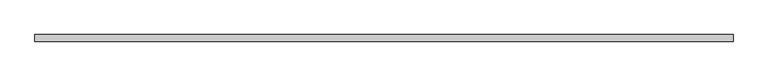
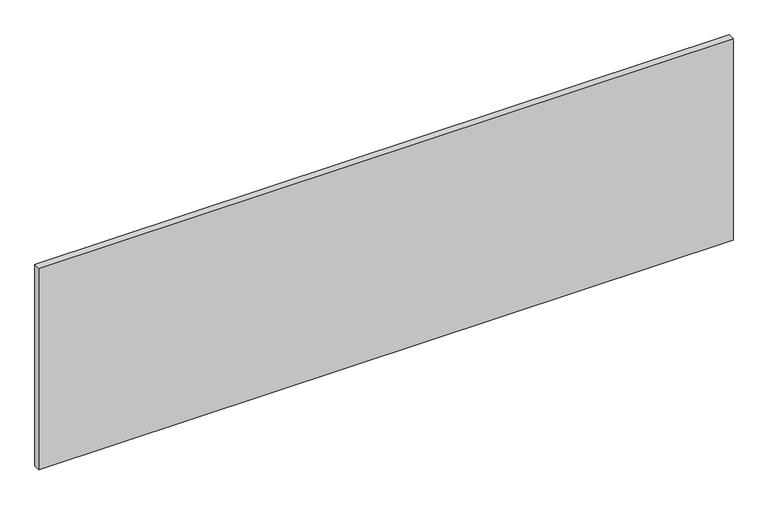
"""IFC4 building model written with IfcOpenShell, lengths in millimetres: furniture geometry."""

from ifc_helpers import new_model, si_unit, frame, origin, place, context, project, spatial, polyline, outline, extrude, source, transform, mapped, element, save


def furniture_79d35260(model_context):
    return source(origin(), model_context, "Body", "SweptSolid", [
        extrude(outline(polyline([(0.0, 0.0), (1676.4, 0.0), (1676.4, -15.875), (0.0, -15.875), (0.0, 0.0)])), frame((0.0, 0.0, 722.3252), z_axis=(0.0, 0.0, 1.0), x_axis=(1.0, 0.0, 0.0)), (0.0, 0.0, 1.0), 514.35),
    ])


if __name__ == "__main__":
    model = new_model("IFC4")
    model_context = context("Model", 3, world=origin())
    ifc_project = project(units=[si_unit("LENGTHUNIT", "METRE", prefix="MILLI")], contexts=[model_context])
    site = spatial("IfcSite", under=ifc_project)
    building = spatial("IfcBuilding", under=site)
    placement = place(None, origin())
    furniture_shape = furniture_79d35260(model_context)
    element("IfcFurniture", 1, at=placement, inside=building, context=model_context, shape_type="MappedRepresentation", body=[
        mapped(furniture_shape, transform((0.0, 0.0, 0.0), x_axis=(1.0, 0.0, 0.0), y_axis=(0.0, 1.0, 0.0), z_axis=(0.0, 0.0, 1.0))),
    ])
    save(model, "model.ifc")
